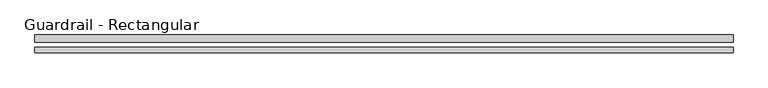
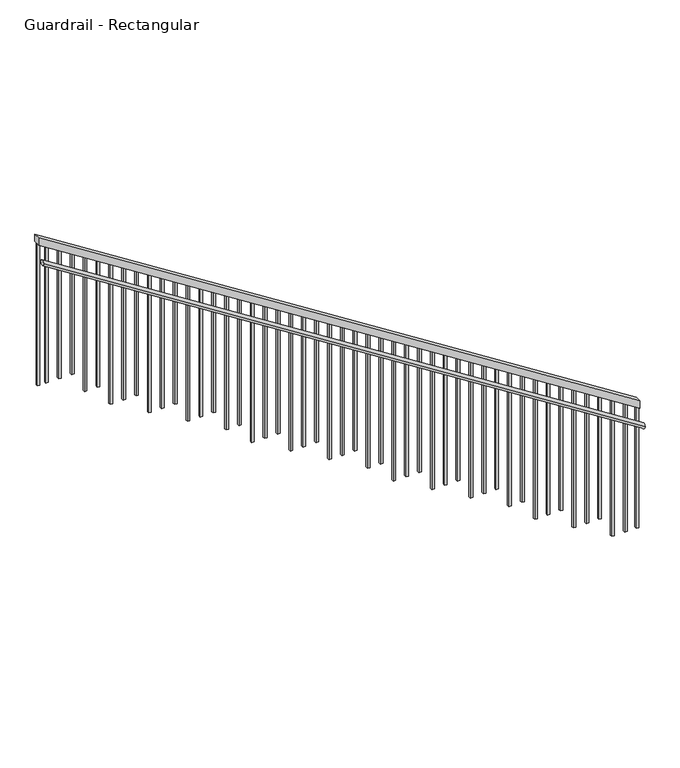
"""IFC4 building model written with IfcOpenShell, lengths in millimetres: railing geometry, Guardrail - Rectangular."""

from ifc_helpers import new_model, si_unit, frame, origin, place, context, project, spatial, polyline, ellipse_curve, outline, extrude, faceted_brep, source, transform, mapped, element, save
from ifc_brep_helpers import plane_surface, cylinder_surface, advanced_brep


def guardrail_rectangular_e7cfc09a(model_context):
    return source(origin(), model_context, "Body", "SolidModel", [
        faceted_brep([(1914.8580564, -3527.5991522, 1244.6), (1914.8580564, -3578.3991522, 1244.6), (1914.8580564, -3578.3991522, 1184.386276), (1914.8580564, -3527.5991522, 1184.386276), (-2834.9419436, -3527.5991522, 4267.2), (-2834.9419436, -3527.5991522, 4206.986276), (-2834.9419436, -3578.3991522, 4206.986276), (-2834.9419436, -3578.3991522, 4267.2)], [[[0, 1, 2, 3]], [[4, 5, 6, 7]], [[1, 0, 4, 7]], [[2, 1, 7, 6]], [[3, 2, 6, 5]], [[0, 3, 5, 4]]]),
        advanced_brep(
        [(1914.8580564, -3648.2491522, 1069.6198535), (1914.8580564, -3610.1491522, 1069.6198535), (-2834.9419436, -3648.2491522, 4092.2198535), (-2834.9419436, -3610.1491522, 4092.2198535)],
        [
            (0, 1, ellipse_curve(frame((1914.8580564, -3629.1991522, 1069.6198535), z_axis=(1.0, 0.0, 0.0), x_axis=(0.0, 0.0, -1.0)), 22.5801465, 19.05)),
            (1, 0, ellipse_curve(frame((1914.8580564, -3629.1991522, 1069.6198535), z_axis=(1.0, 0.0, 0.0), x_axis=(0.0, 0.0, -1.0)), 22.5801465, 19.05)),
            (2, 3, ellipse_curve(frame((-2834.9419436, -3629.1991522, 4092.2198535), z_axis=(-1.0, 0.0, 0.0), x_axis=(0.0, 0.0, -1.0)), 22.5801465, 19.05)),
            (3, 2, ellipse_curve(frame((-2834.9419436, -3629.1991522, 4092.2198535), z_axis=(-1.0, 0.0, 0.0), x_axis=(0.0, 0.0, -1.0)), 22.5801465, 19.05)),
            (0, 2),
            (3, 1),
        ],
        [
            plane_surface(frame((1914.8580564, -3629.1991522, 1092.2), z_axis=(1.0, 0.0, 0.0), x_axis=(0.0, -1.0, 0.0))),
            plane_surface(frame((-2834.9419436, -3629.1991522, 4114.8), z_axis=(-1.0, 0.0, 0.0), x_axis=(0.0, -1.0, 0.0))),
            cylinder_surface(frame((1904.6305782, -3629.1991522, 1076.1282487), z_axis=(0.8436614877321248, 0.0, -0.5368754921931324), x_axis=(0.0, 1.0, 0.0)), 19.05),
        ],
        [
            (0, [[1, 2]]),
            (1, [[3, 4]]),
            (2, [[-1, 5, -4, 6]]),
            (2, [[-2, -6, -3, -5]]),
        ],
    ),
        extrude(outline(polyline([(4152.4340032, -2749.2169436), (4164.5567305, -2768.2669436), (3022.6, -2768.2669436), (3022.6, -2749.2169436), (4152.4340032, -2749.2169436)])), frame((0.0, -3562.5241522, 0.0), z_axis=(0.0, 1.0, 0.0), x_axis=(0.0, 0.0, 1.0)), (0.0, 0.0, 1.0), 19.05),
        extrude(outline(polyline([(4087.7794578, -2647.6169436), (4099.9021851, -2666.6669436), (3022.6, -2666.6669436), (3022.6, -2647.6169436), (4087.7794578, -2647.6169436)])), frame((0.0, -3562.5241522, 0.0), z_axis=(0.0, 1.0, 0.0), x_axis=(0.0, 0.0, 1.0)), (0.0, 0.0, 1.0), 19.05),
        extrude(outline(polyline([(4023.1249123, -2546.0169436), (4035.2476396, -2565.0669436), (3022.6, -2565.0669436), (3022.6, -2546.0169436), (4023.1249123, -2546.0169436)])), frame((0.0, -3562.5241522, 0.0), z_axis=(0.0, 1.0, 0.0), x_axis=(0.0, 0.0, 1.0)), (0.0, 0.0, 1.0), 19.05),
        extrude(outline(polyline([(3958.4703669, -2444.4169436), (3970.5930941, -2463.4669436), (2844.8, -2463.4669436), (2844.8, -2444.4169436), (3958.4703669, -2444.4169436)])), frame((0.0, -3562.5241522, 0.0), z_axis=(0.0, 1.0, 0.0), x_axis=(0.0, 0.0, 1.0)), (0.0, 0.0, 1.0), 19.05),
        extrude(outline(polyline([(3893.8158214, -2342.8169436), (3905.9385487, -2361.8669436), (2844.8, -2361.8669436), (2844.8, -2342.8169436), (3893.8158214, -2342.8169436)])), frame((0.0, -3562.5241522, 0.0), z_axis=(0.0, 1.0, 0.0), x_axis=(0.0, 0.0, 1.0)), (0.0, 0.0, 1.0), 19.05),
        extrude(outline(polyline([(3829.161276, -2241.2169436), (3841.2840032, -2260.2669436), (2667.0, -2260.2669436), (2667.0, -2241.2169436), (3829.161276, -2241.2169436)])), frame((0.0, -3562.5241522, 0.0), z_axis=(0.0, 1.0, 0.0), x_axis=(0.0, 0.0, 1.0)), (0.0, 0.0, 1.0), 19.05),
        extrude(outline(polyline([(3764.5067305, -2139.6169436), (3776.6294578, -2158.6669436), (2667.0, -2158.6669436), (2667.0, -2139.6169436), (3764.5067305, -2139.6169436)])), frame((0.0, -3562.5241522, 0.0), z_axis=(0.0, 1.0, 0.0), x_axis=(0.0, 0.0, 1.0)), (0.0, 0.0, 1.0), 19.05),
        extrude(outline(polyline([(3699.8521851, -2038.0169436), (3711.9749123, -2057.0669436), (2667.0, -2057.0669436), (2667.0, -2038.0169436), (3699.8521851, -2038.0169436)])), frame((0.0, -3562.5241522, 0.0), z_axis=(0.0, 1.0, 0.0), x_axis=(0.0, 0.0, 1.0)), (0.0, 0.0, 1.0), 19.05),
        extrude(outline(polyline([(3635.1976396, -1936.4169436), (3647.3203669, -1955.4669436), (2489.2, -1955.4669436), (2489.2, -1936.4169436), (3635.1976396, -1936.4169436)])), frame((0.0, -3562.5241522, 0.0), z_axis=(0.0, 1.0, 0.0), x_axis=(0.0, 0.0, 1.0)), (0.0, 0.0, 1.0), 19.05),
        extrude(outline(polyline([(3570.5430941, -1834.8169436), (3582.6658214, -1853.8669436), (2489.2, -1853.8669436), (2489.2, -1834.8169436), (3570.5430941, -1834.8169436)])), frame((0.0, -3562.5241522, 0.0), z_axis=(0.0, 1.0, 0.0), x_axis=(0.0, 0.0, 1.0)), (0.0, 0.0, 1.0), 19.05),
        extrude(outline(polyline([(3505.8885487, -1733.2169436), (3518.011276, -1752.2669436), (2489.2, -1752.2669436), (2489.2, -1733.2169436), (3505.8885487, -1733.2169436)])), frame((0.0, -3562.5241522, 0.0), z_axis=(0.0, 1.0, 0.0), x_axis=(0.0, 0.0, 1.0)), (0.0, 0.0, 1.0), 19.05),
        extrude(outline(polyline([(3441.2340032, -1631.6169436), (3453.3567305, -1650.6669436), (2311.4, -1650.6669436), (2311.4, -1631.6169436), (3441.2340032, -1631.6169436)])), frame((0.0, -3562.5241522, 0.0), z_axis=(0.0, 1.0, 0.0), x_axis=(0.0, 0.0, 1.0)), (0.0, 0.0, 1.0), 19.05),
        extrude(outline(polyline([(3376.5794578, -1530.0169436), (3388.7021851, -1549.0669436), (2311.4, -1549.0669436), (2311.4, -1530.0169436), (3376.5794578, -1530.0169436)])), frame((0.0, -3562.5241522, 0.0), z_axis=(0.0, 1.0, 0.0), x_axis=(0.0, 0.0, 1.0)), (0.0, 0.0, 1.0), 19.05),
        extrude(outline(polyline([(3311.9249123, -1428.4169436), (3324.0476396, -1447.4669436), (2311.4, -1447.4669436), (2311.4, -1428.4169436), (3311.9249123, -1428.4169436)])), frame((0.0, -3562.5241522, 0.0), z_axis=(0.0, 1.0, 0.0), x_axis=(0.0, 0.0, 1.0)), (0.0, 0.0, 1.0), 19.05),
        extrude(outline(polyline([(3247.2703669, -1326.8169436), (3259.3930941, -1345.8669436), (2133.6, -1345.8669436), (2133.6, -1326.8169436), (3247.2703669, -1326.8169436)])), frame((0.0, -3562.5241522, 0.0), z_axis=(0.0, 1.0, 0.0), x_axis=(0.0, 0.0, 1.0)), (0.0, 0.0, 1.0), 19.05),
        extrude(outline(polyline([(3182.6158214, -1225.2169436), (3194.7385487, -1244.2669436), (2133.6, -1244.2669436), (2133.6, -1225.2169436), (3182.6158214, -1225.2169436)])), frame((0.0, -3562.5241522, 0.0), z_axis=(0.0, 1.0, 0.0), x_axis=(0.0, 0.0, 1.0)), (0.0, 0.0, 1.0), 19.05),
        extrude(outline(polyline([(3117.961276, -1123.6169436), (3130.0840032, -1142.6669436), (1955.8, -1142.6669436), (1955.8, -1123.6169436), (3117.961276, -1123.6169436)])), frame((0.0, -3562.5241522, 0.0), z_axis=(0.0, 1.0, 0.0), x_axis=(0.0, 0.0, 1.0)), (0.0, 0.0, 1.0), 19.05),
        extrude(outline(polyline([(3053.3067305, -1022.0169436), (3065.4294578, -1041.0669436), (1955.8, -1041.0669436), (1955.8, -1022.0169436), (3053.3067305, -1022.0169436)])), frame((0.0, -3562.5241522, 0.0), z_axis=(0.0, 1.0, 0.0), x_axis=(0.0, 0.0, 1.0)), (0.0, 0.0, 1.0), 19.05),
        extrude(outline(polyline([(2988.6521851, -920.4169436), (3000.7749123, -939.4669436), (1955.8, -939.4669436), (1955.8, -920.4169436), (2988.6521851, -920.4169436)])), frame((0.0, -3562.5241522, 0.0), z_axis=(0.0, 1.0, 0.0), x_axis=(0.0, 0.0, 1.0)), (0.0, 0.0, 1.0), 19.05),
        extrude(outline(polyline([(2923.9976396, -818.8169436), (2936.1203669, -837.8669436), (1778.0, -837.8669436), (1778.0, -818.8169436), (2923.9976396, -818.8169436)])), frame((0.0, -3562.5241522, 0.0), z_axis=(0.0, 1.0, 0.0), x_axis=(0.0, 0.0, 1.0)), (0.0, 0.0, 1.0), 19.05),
        extrude(outline(polyline([(2859.3430941, -717.2169436), (2871.4658214, -736.2669436), (1778.0, -736.2669436), (1778.0, -717.2169436), (2859.3430941, -717.2169436)])), frame((0.0, -3562.5241522, 0.0), z_axis=(0.0, 1.0, 0.0), x_axis=(0.0, 0.0, 1.0)), (0.0, 0.0, 1.0), 19.05),
        extrude(outline(polyline([(2794.6885487, -615.6169436), (2806.811276, -634.6669436), (1778.0, -634.6669436), (1778.0, -615.6169436), (2794.6885487, -615.6169436)])), frame((0.0, -3562.5241522, 0.0), z_axis=(0.0, 1.0, 0.0), x_axis=(0.0, 0.0, 1.0)), (0.0, 0.0, 1.0), 19.05),
        extrude(outline(polyline([(2730.0340032, -514.0169436), (2742.1567305, -533.0669436), (1600.2, -533.0669436), (1600.2, -514.0169436), (2730.0340032, -514.0169436)])), frame((0.0, -3562.5241522, 0.0), z_axis=(0.0, 1.0, 0.0), x_axis=(0.0, 0.0, 1.0)), (0.0, 0.0, 1.0), 19.05),
        extrude(outline(polyline([(2665.3794578, -412.4169436), (2677.5021851, -431.4669436), (1600.2, -431.4669436), (1600.2, -412.4169436), (2665.3794578, -412.4169436)])), frame((0.0, -3562.5241522, 0.0), z_axis=(0.0, 1.0, 0.0), x_axis=(0.0, 0.0, 1.0)), (0.0, 0.0, 1.0), 19.05),
        extrude(outline(polyline([(2600.7249123, -310.8169436), (2612.8476396, -329.8669436), (1600.2, -329.8669436), (1600.2, -310.8169436), (2600.7249123, -310.8169436)])), frame((0.0, -3562.5241522, 0.0), z_axis=(0.0, 1.0, 0.0), x_axis=(0.0, 0.0, 1.0)), (0.0, 0.0, 1.0), 19.05),
        extrude(outline(polyline([(2536.0703669, -209.2169436), (2548.1930941, -228.2669436), (1422.4, -228.2669436), (1422.4, -209.2169436), (2536.0703669, -209.2169436)])), frame((0.0, -3562.5241522, 0.0), z_axis=(0.0, 1.0, 0.0), x_axis=(0.0, 0.0, 1.0)), (0.0, 0.0, 1.0), 19.05),
        extrude(outline(polyline([(2471.4158214, -107.6169436), (2483.5385487, -126.6669436), (1422.4, -126.6669436), (1422.4, -107.6169436), (2471.4158214, -107.6169436)])), frame((0.0, -3562.5241522, 0.0), z_axis=(0.0, 1.0, 0.0), x_axis=(0.0, 0.0, 1.0)), (0.0, 0.0, 1.0), 19.05),
        extrude(outline(polyline([(2406.761276, -6.0169436), (2418.8840032, -25.0669436), (1244.6, -25.0669436), (1244.6, -6.0169436), (2406.761276, -6.0169436)])), frame((0.0, -3562.5241522, 0.0), z_axis=(0.0, 1.0, 0.0), x_axis=(0.0, 0.0, 1.0)), (0.0, 0.0, 1.0), 19.05),
        extrude(outline(polyline([(2342.1067305, 95.5830564), (2354.2294578, 76.5330564), (1244.6, 76.5330564), (1244.6, 95.5830564), (2342.1067305, 95.5830564)])), frame((0.0, -3562.5241522, 0.0), z_axis=(0.0, 1.0, 0.0), x_axis=(0.0, 0.0, 1.0)), (0.0, 0.0, 1.0), 19.05),
        extrude(outline(polyline([(2277.4521851, 197.1830564), (2289.5749123, 178.1330564), (1244.6, 178.1330564), (1244.6, 197.1830564), (2277.4521851, 197.1830564)])), frame((0.0, -3562.5241522, 0.0), z_axis=(0.0, 1.0, 0.0), x_axis=(0.0, 0.0, 1.0)), (0.0, 0.0, 1.0), 19.05),
        extrude(outline(polyline([(2212.7976396, 298.7830564), (2224.9203669, 279.7330564), (1066.8, 279.7330564), (1066.8, 298.7830564), (2212.7976396, 298.7830564)])), frame((0.0, -3562.5241522, 0.0), z_axis=(0.0, 1.0, 0.0), x_axis=(0.0, 0.0, 1.0)), (0.0, 0.0, 1.0), 19.05),
        extrude(outline(polyline([(2148.1430941, 400.3830564), (2160.2658214, 381.3330564), (1066.8, 381.3330564), (1066.8, 400.3830564), (2148.1430941, 400.3830564)])), frame((0.0, -3562.5241522, 0.0), z_axis=(0.0, 1.0, 0.0), x_axis=(0.0, 0.0, 1.0)), (0.0, 0.0, 1.0), 19.05),
        extrude(outline(polyline([(2083.4885487, 501.9830564), (2095.611276, 482.9330564), (1066.8, 482.9330564), (1066.8, 501.9830564), (2083.4885487, 501.9830564)])), frame((0.0, -3562.5241522, 0.0), z_axis=(0.0, 1.0, 0.0), x_axis=(0.0, 0.0, 1.0)), (0.0, 0.0, 1.0), 19.05),
        extrude(outline(polyline([(2018.8340032, 603.5830564), (2030.9567305, 584.5330564), (889.0, 584.5330564), (889.0, 603.5830564), (2018.8340032, 603.5830564)])), frame((0.0, -3562.5241522, 0.0), z_axis=(0.0, 1.0, 0.0), x_axis=(0.0, 0.0, 1.0)), (0.0, 0.0, 1.0), 19.05),
        extrude(outline(polyline([(1954.1794578, 705.1830564), (1966.3021851, 686.1330564), (889.0, 686.1330564), (889.0, 705.1830564), (1954.1794578, 705.1830564)])), frame((0.0, -3562.5241522, 0.0), z_axis=(0.0, 1.0, 0.0), x_axis=(0.0, 0.0, 1.0)), (0.0, 0.0, 1.0), 19.05),
        extrude(outline(polyline([(1889.5249123, 806.7830564), (1901.6476396, 787.7330564), (889.0, 787.7330564), (889.0, 806.7830564), (1889.5249123, 806.7830564)])), frame((0.0, -3562.5241522, 0.0), z_axis=(0.0, 1.0, 0.0), x_axis=(0.0, 0.0, 1.0)), (0.0, 0.0, 1.0), 19.05),
        extrude(outline(polyline([(1824.8703669, 908.3830564), (1836.9930941, 889.3330564), (711.2, 889.3330564), (711.2, 908.3830564), (1824.8703669, 908.3830564)])), frame((0.0, -3562.5241522, 0.0), z_axis=(0.0, 1.0, 0.0), x_axis=(0.0, 0.0, 1.0)), (0.0, 0.0, 1.0), 19.05),
        extrude(outline(polyline([(1760.2158214, 1009.9830564), (1772.3385487, 990.9330564), (711.2, 990.9330564), (711.2, 1009.9830564), (1760.2158214, 1009.9830564)])), frame((0.0, -3562.5241522, 0.0), z_axis=(0.0, 1.0, 0.0), x_axis=(0.0, 0.0, 1.0)), (0.0, 0.0, 1.0), 19.05),
        extrude(outline(polyline([(1695.561276, 1111.5830564), (1707.6840032, 1092.5330564), (533.4, 1092.5330564), (533.4, 1111.5830564), (1695.561276, 1111.5830564)])), frame((0.0, -3562.5241522, 0.0), z_axis=(0.0, 1.0, 0.0), x_axis=(0.0, 0.0, 1.0)), (0.0, 0.0, 1.0), 19.05),
        extrude(outline(polyline([(1630.9067305, 1213.1830564), (1643.0294578, 1194.1330564), (533.4, 1194.1330564), (533.4, 1213.1830564), (1630.9067305, 1213.1830564)])), frame((0.0, -3562.5241522, 0.0), z_axis=(0.0, 1.0, 0.0), x_axis=(0.0, 0.0, 1.0)), (0.0, 0.0, 1.0), 19.05),
        extrude(outline(polyline([(1566.2521851, 1314.7830564), (1578.3749123, 1295.7330564), (533.4, 1295.7330564), (533.4, 1314.7830564), (1566.2521851, 1314.7830564)])), frame((0.0, -3562.5241522, 0.0), z_axis=(0.0, 1.0, 0.0), x_axis=(0.0, 0.0, 1.0)), (0.0, 0.0, 1.0), 19.05),
        extrude(outline(polyline([(1501.5976396, 1416.3830564), (1513.7203669, 1397.3330564), (355.6, 1397.3330564), (355.6, 1416.3830564), (1501.5976396, 1416.3830564)])), frame((0.0, -3562.5241522, 0.0), z_axis=(0.0, 1.0, 0.0), x_axis=(0.0, 0.0, 1.0)), (0.0, 0.0, 1.0), 19.05),
        extrude(outline(polyline([(1436.9430941, 1517.9830564), (1449.0658214, 1498.9330564), (355.6, 1498.9330564), (355.6, 1517.9830564), (1436.9430941, 1517.9830564)])), frame((0.0, -3562.5241522, 0.0), z_axis=(0.0, 1.0, 0.0), x_axis=(0.0, 0.0, 1.0)), (0.0, 0.0, 1.0), 19.05),
        extrude(outline(polyline([(1372.2885487, 1619.5830564), (1384.411276, 1600.5330564), (355.6, 1600.5330564), (355.6, 1619.5830564), (1372.2885487, 1619.5830564)])), frame((0.0, -3562.5241522, 0.0), z_axis=(0.0, 1.0, 0.0), x_axis=(0.0, 0.0, 1.0)), (0.0, 0.0, 1.0), 19.05),
        extrude(outline(polyline([(1307.6340032, 1721.1830564), (1319.7567305, 1702.1330564), (177.8, 1702.1330564), (177.8, 1721.1830564), (1307.6340032, 1721.1830564)])), frame((0.0, -3562.5241522, 0.0), z_axis=(0.0, 1.0, 0.0), x_axis=(0.0, 0.0, 1.0)), (0.0, 0.0, 1.0), 19.05),
        extrude(outline(polyline([(1242.9794578, 1822.7830564), (1255.1021851, 1803.7330564), (177.8, 1803.7330564), (177.8, 1822.7830564), (1242.9794578, 1822.7830564)])), frame((0.0, -3562.5241522, 0.0), z_axis=(0.0, 1.0, 0.0), x_axis=(0.0, 0.0, 1.0)), (0.0, 0.0, 1.0), 19.05),
        extrude(outline(polyline([(4194.8635487, -2815.8919436), (4206.986276, -2834.9419436), (3022.6, -2834.9419436), (3022.6, -2815.8919436), (4194.8635487, -2815.8919436)])), frame((0.0, -3562.5241522, 0.0), z_axis=(0.0, 1.0, 0.0), x_axis=(0.0, 0.0, 1.0)), (0.0, 0.0, 1.0), 19.05),
        extrude(outline(polyline([(1184.386276, 1914.8580564), (1196.5090032, 1895.8080564), (177.8, 1895.8080564), (177.8, 1914.8580564), (1184.386276, 1914.8580564)])), frame((0.0, -3562.5241522, 0.0), z_axis=(0.0, 1.0, 0.0), x_axis=(0.0, 0.0, 1.0)), (0.0, 0.0, 1.0), 19.05),
    ])


if __name__ == "__main__":
    model = new_model("IFC4")
    model_context = context("Model", 3, world=origin())
    ifc_project = project(units=[si_unit("LENGTHUNIT", "METRE", prefix="MILLI")], contexts=[model_context])
    site = spatial("IfcSite", under=ifc_project)
    building = spatial("IfcBuilding", under=site)
    placement = place(None, origin())
    guardrail_rectangular_shape = guardrail_rectangular_e7cfc09a(model_context)
    element("IfcRailing", 1, ObjectType="Guardrail - Rectangular", at=placement, inside=building, context=model_context, shape_type="MappedRepresentation", body=[
        mapped(guardrail_rectangular_shape, transform((0.0, 0.0, 0.0), x_axis=(1.0, 0.0, 0.0), y_axis=(0.0, 1.0, 0.0), z_axis=(0.0, 0.0, 1.0))),
    ])
    save(model, "model.ifc")
